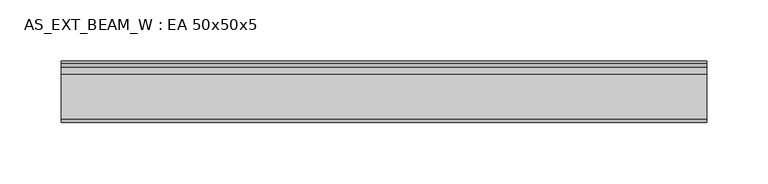
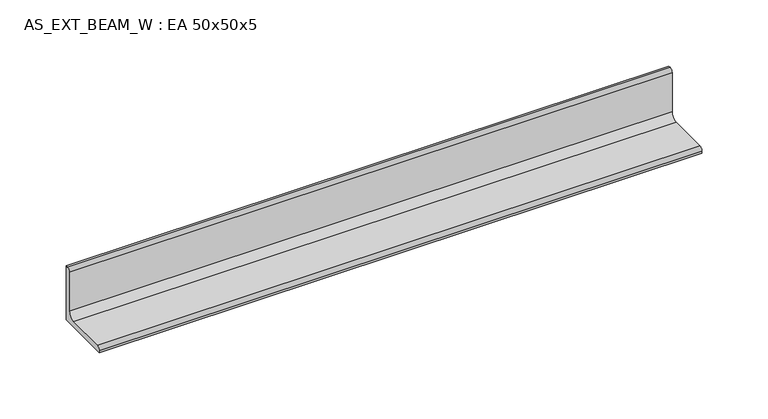
"""IFC4 building model written with IfcOpenShell, lengths in millimetres: beam geometry, AS_EXT_BEAM_W : EA 50x50x5."""

import ifcopenshell
import ifcopenshell.guid

model = None  # the IFC model being written
_history = None  # IfcOwnerHistory: only IFC2X3 demands one
_inside = {}  # id of a spatial element -> (the spatial element, [elements in it])
_under = {}  # id of a project, library or spatial element -> (it, [spatial elements below it])
_declared = {}  # id of a project -> (the project, [libraries it declares])
_typed = {}  # id of a type object -> (the type object, [elements of that type])
_made_of = {}  # id of a material, layer set ... -> (it, [elements and type objects made of it])


def new_model(schema):
    """Start an empty IFC model of exactly this schema.

    Asked for "IFC4X3", IfcOpenShell would pick the latest addendum, in which some entities
    have other attributes; the version numbers below select the first issue.
    IFC2X3 requires an IfcOwnerHistory on every rooted entity: one is made here for all.
    """
    global model, _history
    if schema == "IFC4X3":
        model = ifcopenshell.file(schema_version=(4, 3, 0, 0))
    else:
        model = ifcopenshell.file(schema=schema)
    _inside.clear()
    _under.clear()
    _declared.clear()
    _typed.clear()
    _made_of.clear()
    _history = None
    if model.schema == "IFC2X3":
        org = make("IfcOrganization", Name="unknown")
        user = make(
            "IfcPersonAndOrganization",
            ThePerson=make("IfcPerson", FamilyName="unknown"),
            TheOrganization=org,
        )
        app = make(
            "IfcApplication",
            ApplicationDeveloper=org,
            Version="unknown",
            ApplicationFullName="unknown",
            ApplicationIdentifier="unknown",
        )
        _history = make(
            "IfcOwnerHistory",
            OwningUser=user,
            OwningApplication=app,
            ChangeAction="ADDED",
            CreationDate=0,
        )
    return model


def make(cls, **values):
    """One entity of the class cls with the attributes given. An attribute that is None is left unset."""
    return model.create_entity(
        cls, **{name: value for name, value in values.items() if value is not None}
    )


def rooted(cls, **values):
    """An entity with a GlobalId (a new one), such as an element, a storey or a relation."""
    return make(cls, GlobalId=ifcopenshell.guid.new(), OwnerHistory=_history, **values)


def si_unit(unit_type, name, prefix=None):
    """IfcSIUnit, for example si_unit("LENGTHUNIT", "METRE", prefix="MILLI")."""
    return make("IfcSIUnit", UnitType=unit_type, Prefix=prefix, Name=name)


def assignment(units):
    """IfcUnitAssignment: the units of a project."""
    return None if units is None else make("IfcUnitAssignment", Units=units)


def point(xyz):
    """IfcCartesianPoint."""
    return None if xyz is None else make("IfcCartesianPoint", Coordinates=xyz)


def direction(xyz):
    """IfcDirection."""
    return None if xyz is None else make("IfcDirection", DirectionRatios=xyz)


def frame(location, z_axis=None, x_axis=None):
    """IfcAxis2Placement3D, a coordinate frame: its origin and axes. An axis left out is left unset."""
    return make(
        "IfcAxis2Placement3D",
        Location=point(location),
        Axis=direction(z_axis),
        RefDirection=direction(x_axis),
    )


def frame_2d(location, x_axis=None):
    """IfcAxis2Placement2D, a coordinate frame in the plane: its origin and x axis."""
    return make(
        "IfcAxis2Placement2D", Location=point(location), RefDirection=direction(x_axis)
    )


def origin():
    """The frame at (0, 0, 0) with its axes left unset."""
    return frame((0.0, 0.0, 0.0))


def place(relative_to, where):
    """IfcLocalPlacement: puts the frame where relative to a parent placement (None: the world)."""
    return make(
        "IfcLocalPlacement", PlacementRelTo=relative_to, RelativePlacement=where
    )


def context(
    kind, dimensions, precision=None, world=None, true_north=None, identifier=None
):
    """IfcGeometricRepresentationContext, for example the 3D "Model" context."""
    return make(
        "IfcGeometricRepresentationContext",
        ContextIdentifier=identifier,
        ContextType=kind,
        CoordinateSpaceDimension=dimensions,
        Precision=precision,
        WorldCoordinateSystem=world,
        TrueNorth=true_north,
    )


def project(units=None, contexts=None):
    """IfcProject with its units and contexts."""
    return rooted(
        "IfcProject",
        Name="project",
        RepresentationContexts=contexts,
        UnitsInContext=assignment(units),
    )


def spatial(cls, under=None, at=None, **own):
    """A site, building, storey or space (cls), placed at a placement, below another one or the project."""
    s = rooted(cls, ObjectPlacement=at, **own)
    if under is not None:
        _under.setdefault(under.id(), (under, []))[1].append(s)
    return s


def polyline(points):
    """IfcPolyline through the points."""
    return make("IfcPolyline", Points=[point(p) for p in points])


def circle_curve(where, radius):
    """IfcCircle in the frame where."""
    return make("IfcCircle", Position=where, Radius=radius)


def trimmed(basis, trim1, trim2, sense, master):
    """IfcTrimmedCurve: the piece of a basis curve between two trims."""
    return make(
        "IfcTrimmedCurve",
        BasisCurve=basis,
        Trim1=trim1,
        Trim2=trim2,
        SenseAgreement=sense,
        MasterRepresentation=master,
    )


def segment(curve, same_sense, transition):
    """IfcCompositeCurveSegment."""
    return make(
        "IfcCompositeCurveSegment",
        Transition=transition,
        SameSense=same_sense,
        ParentCurve=curve,
    )


def composite_curve(segments, self_intersect=None):
    """IfcCompositeCurve: segments joined end to end."""
    return make("IfcCompositeCurve", Segments=segments, SelfIntersect=self_intersect)


def outline(outer, holes=None, kind="AREA"):
    """IfcArbitraryClosedProfileDef: a profile drawn as a closed curve; with holes, ...WithVoids."""
    if holes is None:
        return make("IfcArbitraryClosedProfileDef", ProfileType=kind, OuterCurve=outer)
    return make(
        "IfcArbitraryProfileDefWithVoids",
        ProfileType=kind,
        OuterCurve=outer,
        InnerCurves=holes,
    )


def extrude(swept, where, along, depth):
    """IfcExtrudedAreaSolid: the profile swept, set in the frame where, extruded along a direction by depth."""
    return make(
        "IfcExtrudedAreaSolid",
        SweptArea=swept,
        Position=where,
        ExtrudedDirection=direction(along),
        Depth=depth,
    )


def shape(context_of_items, identifier, shape_type, items):
    """IfcShapeRepresentation: the items that make up one representation, for example the "Body"."""
    return make(
        "IfcShapeRepresentation",
        ContextOfItems=context_of_items,
        RepresentationIdentifier=identifier,
        RepresentationType=shape_type,
        Items=items,
    )


def source(mapping_origin, context_of_items, identifier, shape_type, items):
    """IfcRepresentationMap: a shape defined once, which mapped items show again and again."""
    return make(
        "IfcRepresentationMap",
        MappingOrigin=mapping_origin,
        MappedRepresentation=shape(context_of_items, identifier, shape_type, items),
    )


def transform(
    local_origin,
    x_axis=None,
    y_axis=None,
    z_axis=None,
    scale=None,
    scale2=None,
    scale3=None,
    uniform=True,
):
    """IfcCartesianTransformationOperator3D, or its non-uniform kind. x_axis, y_axis, z_axis: its Axis1, 2, 3."""
    if uniform:
        return make(
            "IfcCartesianTransformationOperator3D",
            Axis1=direction(x_axis),
            Axis2=direction(y_axis),
            LocalOrigin=point(local_origin),
            Scale=scale,
            Axis3=direction(z_axis),
        )
    return make(
        "IfcCartesianTransformationOperator3DnonUniform",
        Axis1=direction(x_axis),
        Axis2=direction(y_axis),
        LocalOrigin=point(local_origin),
        Scale=scale,
        Axis3=direction(z_axis),
        Scale2=scale2,
        Scale3=scale3,
    )


def mapped(mapping_source, mapping_target):
    """IfcMappedItem: shows the shape of a source again, moved by a transform."""
    return make(
        "IfcMappedItem", MappingSource=mapping_source, MappingTarget=mapping_target
    )


def made_of(thing, what):
    """Note that an element or type object is made of a material, layer set ...; save() writes the relation."""
    if what is not None:
        _made_of.setdefault(what.id(), (what, []))[1].append(thing)
    return thing


def element(
    cls,
    number,
    at=None,
    inside=None,
    cuts=None,
    type_object=None,
    material=None,
    context=None,
    identifier="Body",
    shape_type=None,
    held_by="IfcProductDefinitionShape",
    body=None,
    shapes=None,
    **own,
):
    """One element of the class cls, such as IfcWall. Its Tag is "e" and its number.

    at: its placement. inside: the storey or other place that contains it. cuts: it is an
    opening in that element (IfcRelVoidsElement). A single representation is given by context,
    identifier, shape_type and body (its items); several are given by shapes. held_by: the class
    of the entity that holds the representations. save() writes the other relations.
    """
    e = rooted(cls, Tag="e%d" % number, ObjectPlacement=at, **own)
    if body is not None:
        shapes = [shape(context, identifier, shape_type, body)]
    if shapes is not None:
        e.Representation = make(held_by, Representations=shapes)
    if inside is not None:
        _inside.setdefault(inside.id(), (inside, []))[1].append(e)
    if cuts is not None:
        rooted(
            "IfcRelVoidsElement", RelatingBuildingElement=cuts, RelatedOpeningElement=e
        )
    if type_object is not None:
        _typed.setdefault(type_object.id(), (type_object, []))[1].append(e)
    return made_of(e, material)


def aggregate(whole, parts):
    """IfcRelAggregates: a whole, such as a stair, and the parts it consists of."""
    return rooted("IfcRelAggregates", RelatingObject=whole, RelatedObjects=parts)


def save(model, path):
    """Write the relations noted so far, then the file.

    IfcRelAggregates (storeys below a building ...), IfcRelContainedInSpatialStructure (elements
    in a storey), IfcRelDefinesByType, IfcRelAssociatesMaterial and IfcRelDeclares: one each for
    every whole, place, type object, material and project.
    """
    for whole, parts in _under.values():
        aggregate(whole, parts)
    for where, things in _inside.values():
        rooted(
            "IfcRelContainedInSpatialStructure",
            RelatedElements=things,
            RelatingStructure=where,
        )
    for kind, things in _typed.values():
        rooted("IfcRelDefinesByType", RelatedObjects=things, RelatingType=kind)
    for what, things in _made_of.values():
        rooted("IfcRelAssociatesMaterial", RelatedObjects=things, RelatingMaterial=what)
    for by, libraries in _declared.values():
        rooted("IfcRelDeclares", RelatingContext=by, RelatedDefinitions=libraries)
    model.write(path)


def as_ext_beam_w_ea_50x50x5_75e0c96b(model_context):
    return source(origin(), model_context, "Body", "SweptSolid", [
        extrude(outline(composite_curve([segment(polyline([(13.9, -13.9), (-36.1, -13.9), (-36.1, -11.9)]), True, "CONTINUOUS"), segment(trimmed(circle_curve(frame_2d((-33.1, -11.9)), 3.0), [point((-36.1, -11.9))], [point((-33.1, -8.9))], False, "CARTESIAN"), True, "CONTINUOUS"), segment(polyline([(-33.1, -8.9), (2.9, -8.9)]), True, "CONTINUOUS"), segment(trimmed(circle_curve(frame_2d((2.9, -2.9)), 6.0), [point((2.9, -8.9))], [point((8.9, -2.9))], True, "CARTESIAN"), True, "CONTINUOUS"), segment(polyline([(8.9, -2.9), (8.9, 33.1)]), True, "CONTINUOUS"), segment(trimmed(circle_curve(frame_2d((11.9, 33.1)), 3.0), [point((8.9, 33.1))], [point((11.9, 36.1))], False, "CARTESIAN"), True, "CONTINUOUS"), segment(polyline([(11.9, 36.1), (13.9, 36.1), (13.9, -13.9)]), True, "CONTINUOUS")], self_intersect=False)), frame((-263.0, 0.0, 0.0), z_axis=(1.0, 0.0, 0.0), x_axis=(0.0, 1.0, 0.0)), (0.0, 0.0, 1.0), 526.0),
    ])


if __name__ == "__main__":
    model = new_model("IFC4")
    model_context = context("Model", 3, world=origin())
    ifc_project = project(units=[si_unit("LENGTHUNIT", "METRE", prefix="MILLI")], contexts=[model_context])
    site = spatial("IfcSite", under=ifc_project)
    building = spatial("IfcBuilding", under=site)
    placement = place(None, origin())
    as_ext_beam_w_ea_50x50x5_shape = as_ext_beam_w_ea_50x50x5_75e0c96b(model_context)
    element("IfcBeam", 1, ObjectType="AS_EXT_BEAM_W : EA 50x50x5", at=placement, inside=building, context=model_context, shape_type="MappedRepresentation", body=[
        mapped(as_ext_beam_w_ea_50x50x5_shape, transform((0.0, 0.0, 0.0), x_axis=(1.0, 0.0, 0.0), y_axis=(0.0, 1.0, 0.0), z_axis=(0.0, 0.0, 1.0))),
    ])
    save(model, "model.ifc")
